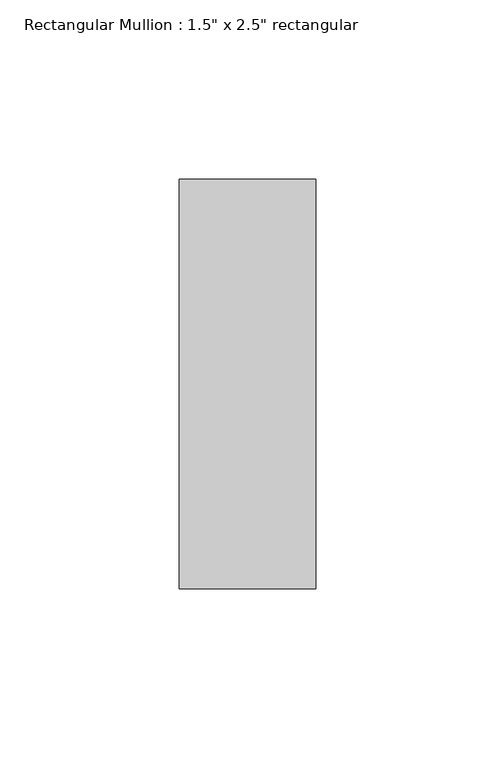
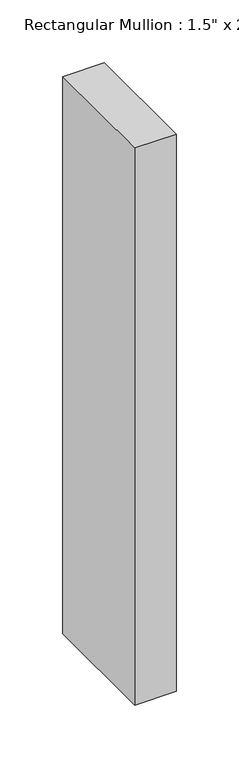
"""IFC4 building model written with IfcOpenShell, lengths in millimetres: member geometry."""

from ifc_helpers import new_model, si_unit, frame, origin, place, context, project, spatial, polyline, outline, extrude, source, transform, mapped, element, save


def member_62625397(model_context):
    return source(origin(), model_context, "Body", "SweptSolid", [
        extrude(outline(polyline([(0.0, 57.15), (0.0, -57.15), (-38.1, -57.15), (-38.1, 57.15), (0.0, 57.15)])), frame((0.0, 0.0, -541.3655049), z_axis=(0.0, 0.0, 1.0), x_axis=(1.0, 0.0, 0.0)), (0.0, 0.0, 1.0), 541.3655049),
    ])


if __name__ == "__main__":
    model = new_model("IFC4")
    model_context = context("Model", 3, world=origin())
    ifc_project = project(units=[si_unit("LENGTHUNIT", "METRE", prefix="MILLI")], contexts=[model_context])
    site = spatial("IfcSite", under=ifc_project)
    building = spatial("IfcBuilding", under=site)
    placement = place(None, origin())
    member_shape = member_62625397(model_context)
    element("IfcMember", 1, ObjectType="Rectangular Mullion : 1.5\" x 2.5\" rectangular", at=placement, inside=building, context=model_context, shape_type="MappedRepresentation", body=[
        mapped(member_shape, transform((0.0, 0.0, 0.0), x_axis=(1.0, 0.0, 0.0), y_axis=(0.0, 1.0, 0.0), z_axis=(0.0, 0.0, 1.0))),
    ])
    save(model, "model.ifc")
